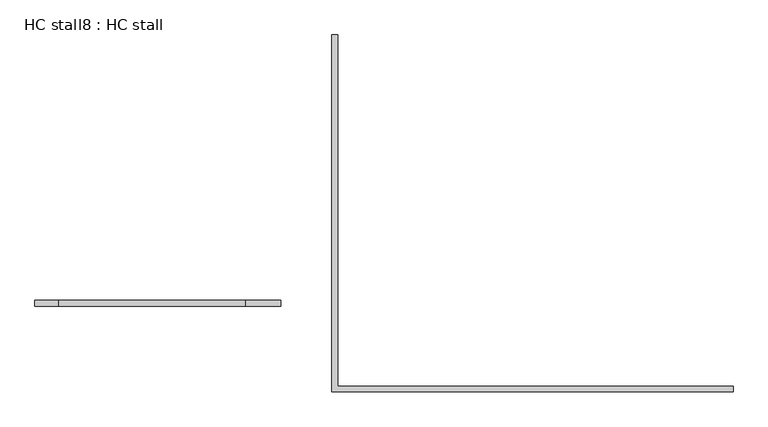
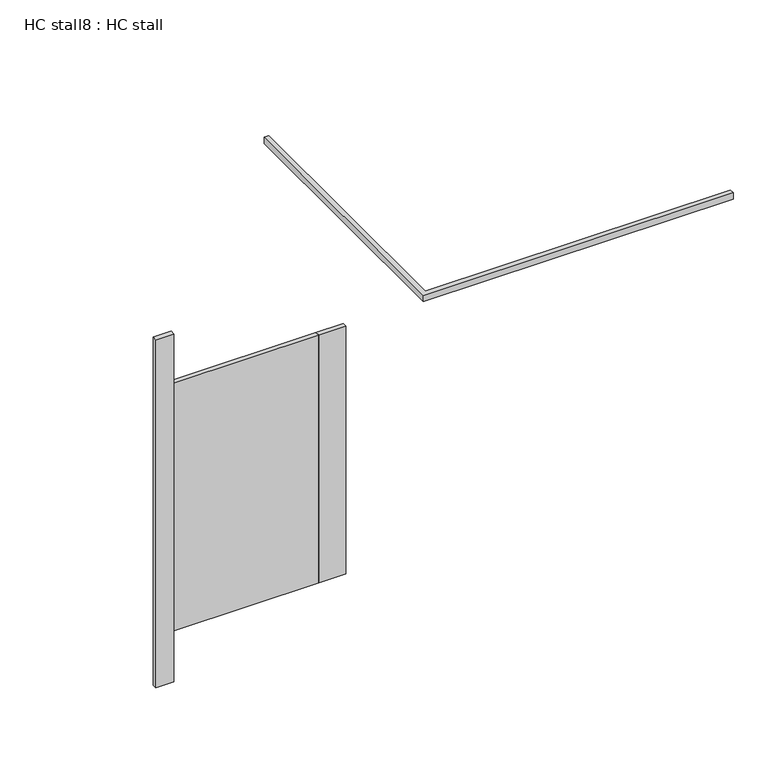
"""IFC4 building model written with IfcOpenShell, lengths in millimetres: proxy geometry, HC stall8 : HC stall."""

import ifcopenshell
import ifcopenshell.guid

model = None  # the IFC model being written
_history = None  # IfcOwnerHistory: only IFC2X3 demands one
_inside = {}  # id of a spatial element -> (the spatial element, [elements in it])
_under = {}  # id of a project, library or spatial element -> (it, [spatial elements below it])
_declared = {}  # id of a project -> (the project, [libraries it declares])
_typed = {}  # id of a type object -> (the type object, [elements of that type])
_made_of = {}  # id of a material, layer set ... -> (it, [elements and type objects made of it])


def new_model(schema):
    """Start an empty IFC model of exactly this schema.

    Asked for "IFC4X3", IfcOpenShell would pick the latest addendum, in which some entities
    have other attributes; the version numbers below select the first issue.
    IFC2X3 requires an IfcOwnerHistory on every rooted entity: one is made here for all.
    """
    global model, _history
    if schema == "IFC4X3":
        model = ifcopenshell.file(schema_version=(4, 3, 0, 0))
    else:
        model = ifcopenshell.file(schema=schema)
    _inside.clear()
    _under.clear()
    _declared.clear()
    _typed.clear()
    _made_of.clear()
    _history = None
    if model.schema == "IFC2X3":
        org = make("IfcOrganization", Name="unknown")
        user = make(
            "IfcPersonAndOrganization",
            ThePerson=make("IfcPerson", FamilyName="unknown"),
            TheOrganization=org,
        )
        app = make(
            "IfcApplication",
            ApplicationDeveloper=org,
            Version="unknown",
            ApplicationFullName="unknown",
            ApplicationIdentifier="unknown",
        )
        _history = make(
            "IfcOwnerHistory",
            OwningUser=user,
            OwningApplication=app,
            ChangeAction="ADDED",
            CreationDate=0,
        )
    return model


def make(cls, **values):
    """One entity of the class cls with the attributes given. An attribute that is None is left unset."""
    return model.create_entity(
        cls, **{name: value for name, value in values.items() if value is not None}
    )


def rooted(cls, **values):
    """An entity with a GlobalId (a new one), such as an element, a storey or a relation."""
    return make(cls, GlobalId=ifcopenshell.guid.new(), OwnerHistory=_history, **values)


def si_unit(unit_type, name, prefix=None):
    """IfcSIUnit, for example si_unit("LENGTHUNIT", "METRE", prefix="MILLI")."""
    return make("IfcSIUnit", UnitType=unit_type, Prefix=prefix, Name=name)


def assignment(units):
    """IfcUnitAssignment: the units of a project."""
    return None if units is None else make("IfcUnitAssignment", Units=units)


def point(xyz):
    """IfcCartesianPoint."""
    return None if xyz is None else make("IfcCartesianPoint", Coordinates=xyz)


def direction(xyz):
    """IfcDirection."""
    return None if xyz is None else make("IfcDirection", DirectionRatios=xyz)


def frame(location, z_axis=None, x_axis=None):
    """IfcAxis2Placement3D, a coordinate frame: its origin and axes. An axis left out is left unset."""
    return make(
        "IfcAxis2Placement3D",
        Location=point(location),
        Axis=direction(z_axis),
        RefDirection=direction(x_axis),
    )


def origin():
    """The frame at (0, 0, 0) with its axes left unset."""
    return frame((0.0, 0.0, 0.0))


def origin_with_axes():
    """The frame at (0, 0, 0) with the z axis (0, 0, 1) and the x axis (1, 0, 0) written out."""
    return frame((0.0, 0.0, 0.0), z_axis=(0.0, 0.0, 1.0), x_axis=(1.0, 0.0, 0.0))


def place(relative_to, where):
    """IfcLocalPlacement: puts the frame where relative to a parent placement (None: the world)."""
    return make(
        "IfcLocalPlacement", PlacementRelTo=relative_to, RelativePlacement=where
    )


def context(
    kind, dimensions, precision=None, world=None, true_north=None, identifier=None
):
    """IfcGeometricRepresentationContext, for example the 3D "Model" context."""
    return make(
        "IfcGeometricRepresentationContext",
        ContextIdentifier=identifier,
        ContextType=kind,
        CoordinateSpaceDimension=dimensions,
        Precision=precision,
        WorldCoordinateSystem=world,
        TrueNorth=true_north,
    )


def project(units=None, contexts=None):
    """IfcProject with its units and contexts."""
    return rooted(
        "IfcProject",
        Name="project",
        RepresentationContexts=contexts,
        UnitsInContext=assignment(units),
    )


def spatial(cls, under=None, at=None, **own):
    """A site, building, storey or space (cls), placed at a placement, below another one or the project."""
    s = rooted(cls, ObjectPlacement=at, **own)
    if under is not None:
        _under.setdefault(under.id(), (under, []))[1].append(s)
    return s


def polyline(points):
    """IfcPolyline through the points."""
    return make("IfcPolyline", Points=[point(p) for p in points])


def outline(outer, holes=None, kind="AREA"):
    """IfcArbitraryClosedProfileDef: a profile drawn as a closed curve; with holes, ...WithVoids."""
    if holes is None:
        return make("IfcArbitraryClosedProfileDef", ProfileType=kind, OuterCurve=outer)
    return make(
        "IfcArbitraryProfileDefWithVoids",
        ProfileType=kind,
        OuterCurve=outer,
        InnerCurves=holes,
    )


def extrude(swept, where, along, depth):
    """IfcExtrudedAreaSolid: the profile swept, set in the frame where, extruded along a direction by depth."""
    return make(
        "IfcExtrudedAreaSolid",
        SweptArea=swept,
        Position=where,
        ExtrudedDirection=direction(along),
        Depth=depth,
    )


def shape(context_of_items, identifier, shape_type, items):
    """IfcShapeRepresentation: the items that make up one representation, for example the "Body"."""
    return make(
        "IfcShapeRepresentation",
        ContextOfItems=context_of_items,
        RepresentationIdentifier=identifier,
        RepresentationType=shape_type,
        Items=items,
    )


def source(mapping_origin, context_of_items, identifier, shape_type, items):
    """IfcRepresentationMap: a shape defined once, which mapped items show again and again."""
    return make(
        "IfcRepresentationMap",
        MappingOrigin=mapping_origin,
        MappedRepresentation=shape(context_of_items, identifier, shape_type, items),
    )


def transform(
    local_origin,
    x_axis=None,
    y_axis=None,
    z_axis=None,
    scale=None,
    scale2=None,
    scale3=None,
    uniform=True,
):
    """IfcCartesianTransformationOperator3D, or its non-uniform kind. x_axis, y_axis, z_axis: its Axis1, 2, 3."""
    if uniform:
        return make(
            "IfcCartesianTransformationOperator3D",
            Axis1=direction(x_axis),
            Axis2=direction(y_axis),
            LocalOrigin=point(local_origin),
            Scale=scale,
            Axis3=direction(z_axis),
        )
    return make(
        "IfcCartesianTransformationOperator3DnonUniform",
        Axis1=direction(x_axis),
        Axis2=direction(y_axis),
        LocalOrigin=point(local_origin),
        Scale=scale,
        Axis3=direction(z_axis),
        Scale2=scale2,
        Scale3=scale3,
    )


def mapped(mapping_source, mapping_target):
    """IfcMappedItem: shows the shape of a source again, moved by a transform."""
    return make(
        "IfcMappedItem", MappingSource=mapping_source, MappingTarget=mapping_target
    )


def made_of(thing, what):
    """Note that an element or type object is made of a material, layer set ...; save() writes the relation."""
    if what is not None:
        _made_of.setdefault(what.id(), (what, []))[1].append(thing)
    return thing


def element(
    cls,
    number,
    at=None,
    inside=None,
    cuts=None,
    type_object=None,
    material=None,
    context=None,
    identifier="Body",
    shape_type=None,
    held_by="IfcProductDefinitionShape",
    body=None,
    shapes=None,
    **own,
):
    """One element of the class cls, such as IfcWall. Its Tag is "e" and its number.

    at: its placement. inside: the storey or other place that contains it. cuts: it is an
    opening in that element (IfcRelVoidsElement). A single representation is given by context,
    identifier, shape_type and body (its items); several are given by shapes. held_by: the class
    of the entity that holds the representations. save() writes the other relations.
    """
    e = rooted(cls, Tag="e%d" % number, ObjectPlacement=at, **own)
    if body is not None:
        shapes = [shape(context, identifier, shape_type, body)]
    if shapes is not None:
        e.Representation = make(held_by, Representations=shapes)
    if inside is not None:
        _inside.setdefault(inside.id(), (inside, []))[1].append(e)
    if cuts is not None:
        rooted(
            "IfcRelVoidsElement", RelatingBuildingElement=cuts, RelatedOpeningElement=e
        )
    if type_object is not None:
        _typed.setdefault(type_object.id(), (type_object, []))[1].append(e)
    return made_of(e, material)


def aggregate(whole, parts):
    """IfcRelAggregates: a whole, such as a stair, and the parts it consists of."""
    return rooted("IfcRelAggregates", RelatingObject=whole, RelatedObjects=parts)


def save(model, path):
    """Write the relations noted so far, then the file.

    IfcRelAggregates (storeys below a building ...), IfcRelContainedInSpatialStructure (elements
    in a storey), IfcRelDefinesByType, IfcRelAssociatesMaterial and IfcRelDeclares: one each for
    every whole, place, type object, material and project.
    """
    for whole, parts in _under.values():
        aggregate(whole, parts)
    for where, things in _inside.values():
        rooted(
            "IfcRelContainedInSpatialStructure",
            RelatedElements=things,
            RelatingStructure=where,
        )
    for kind, things in _typed.values():
        rooted("IfcRelDefinesByType", RelatedObjects=things, RelatingType=kind)
    for what, things in _made_of.values():
        rooted("IfcRelAssociatesMaterial", RelatedObjects=things, RelatingMaterial=what)
    for by, libraries in _declared.values():
        rooted("IfcRelDeclares", RelatingContext=by, RelatedDefinitions=libraries)
    model.write(path)


def hc_stall8_hc_stall_2634cf23(model_context):
    return source(origin(), model_context, "Body", "SweptSolid", [
        extrude(outline(polyline([(273149.0309444, -251065.5205223), (272996.6309444, -251065.5205223), (272996.6309444, -251040.1205223), (273149.0309444, -251040.1205223), (273149.0309444, -251065.5205223)])), frame((0.0, 0.0, 304.8), z_axis=(0.0, 0.0, 1.0), x_axis=(1.0, 0.0, 0.0)), (0.0, 0.0, 1.0), 1473.2),
        extrude(outline(polyline([(272183.8309444, -251040.1205223), (272183.8309444, -251065.5205223), (272082.2309444, -251065.5205223), (272082.2309444, -251040.1205223), (272183.8309444, -251040.1205223)])), origin_with_axes(), (0.0, 0.0, 1.0), 2070.1),
        extrude(outline(polyline([(273396.6809444, -251411.5955223), (275112.7684444, -251411.5955223), (275112.7684444, -251436.9955223), (273371.2809444, -251436.9955223), (273371.2809444, -249887.5955223), (273396.6809444, -249887.5955223), (273396.6809444, -251411.5955223)])), frame((0.0, 0.0, 2070.1), z_axis=(0.0, 0.0, 1.0), x_axis=(1.0, 0.0, 0.0)), (0.0, 0.0, 1.0), 38.1),
        extrude(outline(polyline([(272996.6309444, -251040.1205223), (272996.6309444, -251065.5205223), (272183.8309444, -251065.5205223), (272183.8309444, -251040.1205223), (272996.6309444, -251040.1205223)])), frame((0.0, 0.0, 304.8), z_axis=(0.0, 0.0, 1.0), x_axis=(1.0, 0.0, 0.0)), (0.0, 0.0, 1.0), 1473.2),
    ])


if __name__ == "__main__":
    model = new_model("IFC4")
    model_context = context("Model", 3, world=origin())
    ifc_project = project(units=[si_unit("LENGTHUNIT", "METRE", prefix="MILLI")], contexts=[model_context])
    site = spatial("IfcSite", under=ifc_project)
    building = spatial("IfcBuilding", under=site)
    placement = place(None, origin())
    hc_stall8_hc_stall_shape = hc_stall8_hc_stall_2634cf23(model_context)
    element("IfcBuildingElementProxy", 1, Name="HC stall8 : HC stall", ObjectType="HC stall8 : HC stall", at=placement, inside=building, context=model_context, shape_type="MappedRepresentation", body=[
        mapped(hc_stall8_hc_stall_shape, transform((0.0, 0.0, 0.0), x_axis=(1.0, 0.0, 0.0), y_axis=(0.0, 1.0, 0.0), z_axis=(0.0, 0.0, 1.0))),
    ])
    save(model, "model.ifc")
